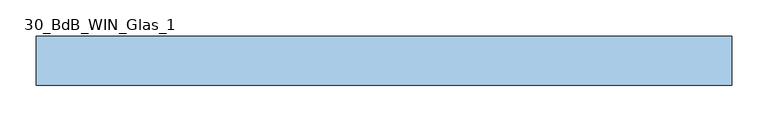
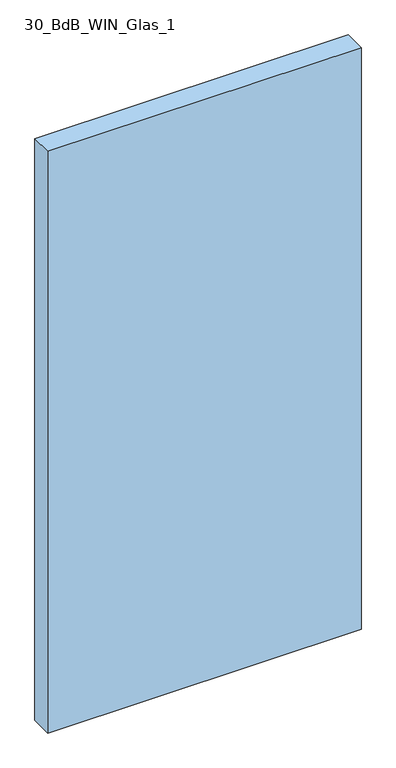
"""IFC4 building model written with IfcOpenShell, lengths in millimetres: window geometry, 30_BdB_WIN_Glas_1."""

import ifcopenshell
import ifcopenshell.guid

model = None  # the IFC model being written
_history = None  # IfcOwnerHistory: only IFC2X3 demands one
_inside = {}  # id of a spatial element -> (the spatial element, [elements in it])
_under = {}  # id of a project, library or spatial element -> (it, [spatial elements below it])
_declared = {}  # id of a project -> (the project, [libraries it declares])
_typed = {}  # id of a type object -> (the type object, [elements of that type])
_made_of = {}  # id of a material, layer set ... -> (it, [elements and type objects made of it])


def new_model(schema):
    """Start an empty IFC model of exactly this schema.

    Asked for "IFC4X3", IfcOpenShell would pick the latest addendum, in which some entities
    have other attributes; the version numbers below select the first issue.
    IFC2X3 requires an IfcOwnerHistory on every rooted entity: one is made here for all.
    """
    global model, _history
    if schema == "IFC4X3":
        model = ifcopenshell.file(schema_version=(4, 3, 0, 0))
    else:
        model = ifcopenshell.file(schema=schema)
    _inside.clear()
    _under.clear()
    _declared.clear()
    _typed.clear()
    _made_of.clear()
    _history = None
    if model.schema == "IFC2X3":
        org = make("IfcOrganization", Name="unknown")
        user = make(
            "IfcPersonAndOrganization",
            ThePerson=make("IfcPerson", FamilyName="unknown"),
            TheOrganization=org,
        )
        app = make(
            "IfcApplication",
            ApplicationDeveloper=org,
            Version="unknown",
            ApplicationFullName="unknown",
            ApplicationIdentifier="unknown",
        )
        _history = make(
            "IfcOwnerHistory",
            OwningUser=user,
            OwningApplication=app,
            ChangeAction="ADDED",
            CreationDate=0,
        )
    return model


def make(cls, **values):
    """One entity of the class cls with the attributes given. An attribute that is None is left unset."""
    return model.create_entity(
        cls, **{name: value for name, value in values.items() if value is not None}
    )


def rooted(cls, **values):
    """An entity with a GlobalId (a new one), such as an element, a storey or a relation."""
    return make(cls, GlobalId=ifcopenshell.guid.new(), OwnerHistory=_history, **values)


def si_unit(unit_type, name, prefix=None):
    """IfcSIUnit, for example si_unit("LENGTHUNIT", "METRE", prefix="MILLI")."""
    return make("IfcSIUnit", UnitType=unit_type, Prefix=prefix, Name=name)


def assignment(units):
    """IfcUnitAssignment: the units of a project."""
    return None if units is None else make("IfcUnitAssignment", Units=units)


def point(xyz):
    """IfcCartesianPoint."""
    return None if xyz is None else make("IfcCartesianPoint", Coordinates=xyz)


def direction(xyz):
    """IfcDirection."""
    return None if xyz is None else make("IfcDirection", DirectionRatios=xyz)


def frame(location, z_axis=None, x_axis=None):
    """IfcAxis2Placement3D, a coordinate frame: its origin and axes. An axis left out is left unset."""
    return make(
        "IfcAxis2Placement3D",
        Location=point(location),
        Axis=direction(z_axis),
        RefDirection=direction(x_axis),
    )


def origin():
    """The frame at (0, 0, 0) with its axes left unset."""
    return frame((0.0, 0.0, 0.0))


def origin_with_axes():
    """The frame at (0, 0, 0) with the z axis (0, 0, 1) and the x axis (1, 0, 0) written out."""
    return frame((0.0, 0.0, 0.0), z_axis=(0.0, 0.0, 1.0), x_axis=(1.0, 0.0, 0.0))


def place(relative_to, where):
    """IfcLocalPlacement: puts the frame where relative to a parent placement (None: the world)."""
    return make(
        "IfcLocalPlacement", PlacementRelTo=relative_to, RelativePlacement=where
    )


def context(
    kind, dimensions, precision=None, world=None, true_north=None, identifier=None
):
    """IfcGeometricRepresentationContext, for example the 3D "Model" context."""
    return make(
        "IfcGeometricRepresentationContext",
        ContextIdentifier=identifier,
        ContextType=kind,
        CoordinateSpaceDimension=dimensions,
        Precision=precision,
        WorldCoordinateSystem=world,
        TrueNorth=true_north,
    )


def project(units=None, contexts=None):
    """IfcProject with its units and contexts."""
    return rooted(
        "IfcProject",
        Name="project",
        RepresentationContexts=contexts,
        UnitsInContext=assignment(units),
    )


def spatial(cls, under=None, at=None, **own):
    """A site, building, storey or space (cls), placed at a placement, below another one or the project."""
    s = rooted(cls, ObjectPlacement=at, **own)
    if under is not None:
        _under.setdefault(under.id(), (under, []))[1].append(s)
    return s


def polyline(points):
    """IfcPolyline through the points."""
    return make("IfcPolyline", Points=[point(p) for p in points])


def outline(outer, holes=None, kind="AREA"):
    """IfcArbitraryClosedProfileDef: a profile drawn as a closed curve; with holes, ...WithVoids."""
    if holes is None:
        return make("IfcArbitraryClosedProfileDef", ProfileType=kind, OuterCurve=outer)
    return make(
        "IfcArbitraryProfileDefWithVoids",
        ProfileType=kind,
        OuterCurve=outer,
        InnerCurves=holes,
    )


def extrude(swept, where, along, depth):
    """IfcExtrudedAreaSolid: the profile swept, set in the frame where, extruded along a direction by depth."""
    return make(
        "IfcExtrudedAreaSolid",
        SweptArea=swept,
        Position=where,
        ExtrudedDirection=direction(along),
        Depth=depth,
    )


def shape(context_of_items, identifier, shape_type, items):
    """IfcShapeRepresentation: the items that make up one representation, for example the "Body"."""
    return make(
        "IfcShapeRepresentation",
        ContextOfItems=context_of_items,
        RepresentationIdentifier=identifier,
        RepresentationType=shape_type,
        Items=items,
    )


def source(mapping_origin, context_of_items, identifier, shape_type, items):
    """IfcRepresentationMap: a shape defined once, which mapped items show again and again."""
    return make(
        "IfcRepresentationMap",
        MappingOrigin=mapping_origin,
        MappedRepresentation=shape(context_of_items, identifier, shape_type, items),
    )


def transform(
    local_origin,
    x_axis=None,
    y_axis=None,
    z_axis=None,
    scale=None,
    scale2=None,
    scale3=None,
    uniform=True,
):
    """IfcCartesianTransformationOperator3D, or its non-uniform kind. x_axis, y_axis, z_axis: its Axis1, 2, 3."""
    if uniform:
        return make(
            "IfcCartesianTransformationOperator3D",
            Axis1=direction(x_axis),
            Axis2=direction(y_axis),
            LocalOrigin=point(local_origin),
            Scale=scale,
            Axis3=direction(z_axis),
        )
    return make(
        "IfcCartesianTransformationOperator3DnonUniform",
        Axis1=direction(x_axis),
        Axis2=direction(y_axis),
        LocalOrigin=point(local_origin),
        Scale=scale,
        Axis3=direction(z_axis),
        Scale2=scale2,
        Scale3=scale3,
    )


def mapped(mapping_source, mapping_target):
    """IfcMappedItem: shows the shape of a source again, moved by a transform."""
    return make(
        "IfcMappedItem", MappingSource=mapping_source, MappingTarget=mapping_target
    )


def made_of(thing, what):
    """Note that an element or type object is made of a material, layer set ...; save() writes the relation."""
    if what is not None:
        _made_of.setdefault(what.id(), (what, []))[1].append(thing)
    return thing


def element(
    cls,
    number,
    at=None,
    inside=None,
    cuts=None,
    type_object=None,
    material=None,
    context=None,
    identifier="Body",
    shape_type=None,
    held_by="IfcProductDefinitionShape",
    body=None,
    shapes=None,
    **own,
):
    """One element of the class cls, such as IfcWall. Its Tag is "e" and its number.

    at: its placement. inside: the storey or other place that contains it. cuts: it is an
    opening in that element (IfcRelVoidsElement). A single representation is given by context,
    identifier, shape_type and body (its items); several are given by shapes. held_by: the class
    of the entity that holds the representations. save() writes the other relations.
    """
    e = rooted(cls, Tag="e%d" % number, ObjectPlacement=at, **own)
    if body is not None:
        shapes = [shape(context, identifier, shape_type, body)]
    if shapes is not None:
        e.Representation = make(held_by, Representations=shapes)
    if inside is not None:
        _inside.setdefault(inside.id(), (inside, []))[1].append(e)
    if cuts is not None:
        rooted(
            "IfcRelVoidsElement", RelatingBuildingElement=cuts, RelatedOpeningElement=e
        )
    if type_object is not None:
        _typed.setdefault(type_object.id(), (type_object, []))[1].append(e)
    return made_of(e, material)


def aggregate(whole, parts):
    """IfcRelAggregates: a whole, such as a stair, and the parts it consists of."""
    return rooted("IfcRelAggregates", RelatingObject=whole, RelatedObjects=parts)


def save(model, path):
    """Write the relations noted so far, then the file.

    IfcRelAggregates (storeys below a building ...), IfcRelContainedInSpatialStructure (elements
    in a storey), IfcRelDefinesByType, IfcRelAssociatesMaterial and IfcRelDeclares: one each for
    every whole, place, type object, material and project.
    """
    for whole, parts in _under.values():
        aggregate(whole, parts)
    for where, things in _inside.values():
        rooted(
            "IfcRelContainedInSpatialStructure",
            RelatedElements=things,
            RelatingStructure=where,
        )
    for kind, things in _typed.values():
        rooted("IfcRelDefinesByType", RelatedObjects=things, RelatingType=kind)
    for what, things in _made_of.values():
        rooted("IfcRelAssociatesMaterial", RelatedObjects=things, RelatingMaterial=what)
    for by, libraries in _declared.values():
        rooted("IfcRelDeclares", RelatingContext=by, RelatedDefinitions=libraries)
    model.write(path)


def window_30_bdb_win_glas_1_a3eb0712(model_context):
    return source(origin(), model_context, "Body", "SweptSolid", [
        extrude(outline(polyline([(-480.5, 0.0), (480.5, 0.0), (480.5, -68.0), (-480.5, -68.0), (-480.5, 0.0)])), origin_with_axes(), (0.0, 0.0, 1.0), 1886.0),
    ])


if __name__ == "__main__":
    model = new_model("IFC4")
    model_context = context("Model", 3, world=origin())
    ifc_project = project(units=[si_unit("LENGTHUNIT", "METRE", prefix="MILLI")], contexts=[model_context])
    site = spatial("IfcSite", under=ifc_project)
    building = spatial("IfcBuilding", under=site)
    placement = place(None, origin())
    window_30_bdb_win_glas_1_shape = window_30_bdb_win_glas_1_a3eb0712(model_context)
    element("IfcWindow", 1, ObjectType="30_BdB_WIN_Glas_1", at=placement, inside=building, context=model_context, shape_type="MappedRepresentation", body=[
        mapped(window_30_bdb_win_glas_1_shape, transform((0.0, 0.0, 0.0), x_axis=(1.0, 0.0, 0.0), y_axis=(0.0, 1.0, 0.0), z_axis=(0.0, 0.0, 1.0))),
    ])
    save(model, "model.ifc")
